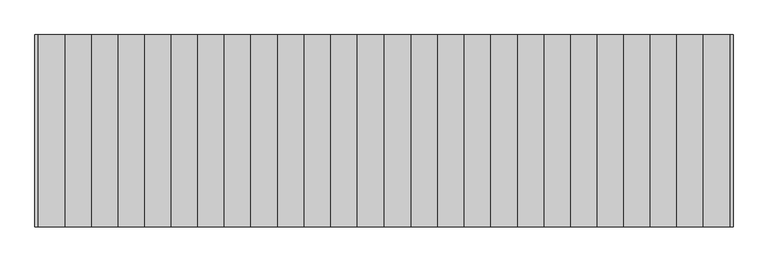
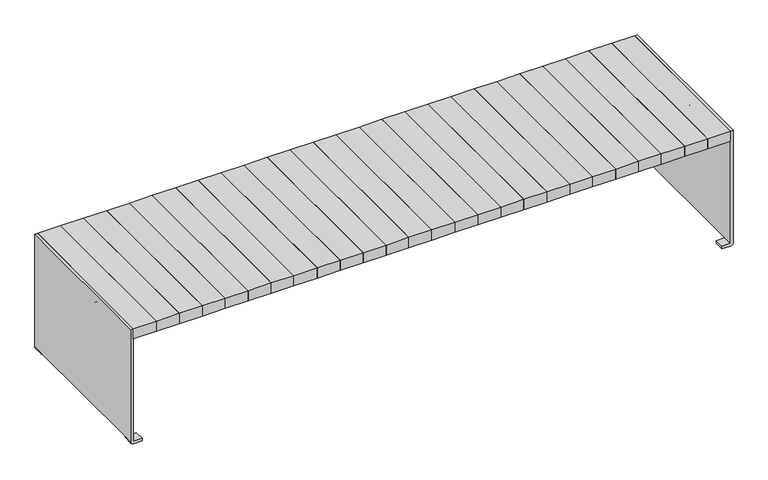
"""IFC4 building model written with IfcOpenShell, lengths in millimetres: furniture geometry."""

from ifc_helpers import new_model, si_unit, frame, origin, place, context, project, spatial, polyline, circle_curve, outline, extrude, source, transform, mapped, element, save
from ifc_brep_helpers import plane_surface, cylinder_surface, revolved_surface, advanced_brep


def furniture_0ccc228f(model_context):
    return source(origin(), model_context, "Body", "SolidModel", [
        extrude(outline(polyline([(83.1700951, 300.0), (83.1700951, -300.0), (0.0, -300.0), (0.0, 300.0), (83.1700951, 300.0)])), frame((0.0, 0.0, 400.6382749), z_axis=(0.0, 0.0, 1.0), x_axis=(1.0, 0.0, 0.0)), (0.0, 0.0, 1.0), 39.120575),
        extrude(outline(polyline([(165.5884938, 300.0), (165.5884938, -300.0), (83.1700951, -300.0), (83.1700951, 300.0), (165.5884938, 300.0)])), frame((0.0, 0.0, 400.6382749), z_axis=(0.0, 0.0, 1.0), x_axis=(1.0, 0.0, 0.0)), (0.0, 0.0, 1.0), 39.120575),
        extrude(outline(polyline([(249.0266735, 300.0), (249.0266735, -300.0), (165.5884938, -300.0), (165.5884938, 300.0), (249.0266735, 300.0)])), frame((0.0, 0.0, 400.6382749), z_axis=(0.0, 0.0, 1.0), x_axis=(1.0, 0.0, 0.0)), (0.0, 0.0, 1.0), 39.120575),
        extrude(outline(polyline([(331.8102592, 300.0), (331.8102592, -300.0), (249.0266735, -300.0), (249.0266735, 300.0), (331.8102592, 300.0)])), frame((0.0, 0.0, 400.6382749), z_axis=(0.0, 0.0, 1.0), x_axis=(1.0, 0.0, 0.0)), (0.0, 0.0, 1.0), 39.120575),
        extrude(outline(polyline([(415.2051572, 300.0), (415.2051572, -300.0), (331.8102592, -300.0), (331.8102592, 300.0), (415.2051572, 300.0)])), frame((0.0, 0.0, 400.6382749), z_axis=(0.0, 0.0, 1.0), x_axis=(1.0, 0.0, 0.0)), (0.0, 0.0, 1.0), 39.120575),
        extrude(outline(polyline([(498.7851293, 300.0), (498.7851293, -300.0), (415.2051572, -300.0), (415.2051572, 300.0), (498.7851293, 300.0)])), frame((0.0, 0.0, 400.6382749), z_axis=(0.0, 0.0, 1.0), x_axis=(1.0, 0.0, 0.0)), (0.0, 0.0, 1.0), 39.120575),
        extrude(outline(polyline([(580.2051572, 300.0), (580.2051572, -300.0), (498.7851293, -300.0), (498.7851293, 300.0), (580.2051572, 300.0)])), frame((0.0, 0.0, 400.6382749), z_axis=(0.0, 0.0, 1.0), x_axis=(1.0, 0.0, 0.0)), (0.0, 0.0, 1.0), 39.120575),
        extrude(outline(polyline([(663.7851293, 300.0), (663.7851293, -300.0), (580.2051572, -300.0), (580.2051572, 300.0), (663.7851293, 300.0)])), frame((0.0, 0.0, 400.6382749), z_axis=(0.0, 0.0, 1.0), x_axis=(1.0, 0.0, 0.0)), (0.0, 0.0, 1.0), 39.120575),
        extrude(outline(polyline([(746.8041619, 300.0), (746.8041619, -300.0), (663.7851293, -300.0), (663.7851293, 300.0), (746.8041619, 300.0)])), frame((0.0, 0.0, 400.6382749), z_axis=(0.0, 0.0, 1.0), x_axis=(1.0, 0.0, 0.0)), (0.0, 0.0, 1.0), 39.120575),
        extrude(outline(polyline([(1078.85, 300.0), (1078.85, -300.0), (996.3916762, -300.0), (996.3916762, 300.0), (1078.85, 300.0)])), frame((0.0, 0.0, 400.6382749), z_axis=(0.0, 0.0, 1.0), x_axis=(1.0, 0.0, 0.0)), (0.0, 0.0, 1.0), 39.120575),
        extrude(outline(polyline([(996.3916762, 300.0), (996.3916762, -300.0), (913.1958381, -300.0), (913.1958381, 300.0), (996.3916762, 300.0)])), frame((0.0, 0.0, 400.6382749), z_axis=(0.0, 0.0, 1.0), x_axis=(1.0, 0.0, 0.0)), (0.0, 0.0, 1.0), 39.120575),
        extrude(outline(polyline([(913.1958381, 300.0), (913.1958381, -300.0), (830.0, -300.0), (830.0, 300.0), (913.1958381, 300.0)])), frame((0.0, 0.0, 400.6382749), z_axis=(0.0, 0.0, 1.0), x_axis=(1.0, 0.0, 0.0)), (0.0, 0.0, 1.0), 39.120575),
        extrude(outline(polyline([(830.0, 300.0), (830.0, -300.0), (746.8041619, -300.0), (746.8041619, 300.0), (830.0, 300.0)])), frame((0.0, 0.0, 400.6382749), z_axis=(0.0, 0.0, 1.0), x_axis=(1.0, 0.0, 0.0)), (0.0, 0.0, 1.0), 39.120575),
        extrude(outline(polyline([(-83.1700951, 300.0), (0.0, 300.0), (0.0, -300.0), (-83.1700951, -300.0), (-83.1700951, 300.0)])), frame((0.0, 0.0, 400.6382749), z_axis=(0.0, 0.0, 1.0), x_axis=(1.0, 0.0, 0.0)), (0.0, 0.0, 1.0), 39.120575),
        extrude(outline(polyline([(-165.5884938, 300.0), (-83.1700951, 300.0), (-83.1700951, -300.0), (-165.5884938, -300.0), (-165.5884938, 300.0)])), frame((0.0, 0.0, 400.6382749), z_axis=(0.0, 0.0, 1.0), x_axis=(1.0, 0.0, 0.0)), (0.0, 0.0, 1.0), 39.120575),
        extrude(outline(polyline([(-249.0266735, 300.0), (-165.5884938, 300.0), (-165.5884938, -300.0), (-249.0266735, -300.0), (-249.0266735, 300.0)])), frame((0.0, 0.0, 400.6382749), z_axis=(0.0, 0.0, 1.0), x_axis=(1.0, 0.0, 0.0)), (0.0, 0.0, 1.0), 39.120575),
        extrude(outline(polyline([(-331.8102592, 300.0), (-249.0266735, 300.0), (-249.0266735, -300.0), (-331.8102592, -300.0), (-331.8102592, 300.0)])), frame((0.0, 0.0, 400.6382749), z_axis=(0.0, 0.0, 1.0), x_axis=(1.0, 0.0, 0.0)), (0.0, 0.0, 1.0), 39.120575),
        extrude(outline(polyline([(-415.2051572, 300.0), (-331.8102592, 300.0), (-331.8102592, -300.0), (-415.2051572, -300.0), (-415.2051572, 300.0)])), frame((0.0, 0.0, 400.6382749), z_axis=(0.0, 0.0, 1.0), x_axis=(1.0, 0.0, 0.0)), (0.0, 0.0, 1.0), 39.120575),
        extrude(outline(polyline([(-498.7851293, 300.0), (-415.2051572, 300.0), (-415.2051572, -300.0), (-498.7851293, -300.0), (-498.7851293, 300.0)])), frame((0.0, 0.0, 400.6382749), z_axis=(0.0, 0.0, 1.0), x_axis=(1.0, 0.0, 0.0)), (0.0, 0.0, 1.0), 39.120575),
        extrude(outline(polyline([(-580.2051572, 300.0), (-498.7851293, 300.0), (-498.7851293, -300.0), (-580.2051572, -300.0), (-580.2051572, 300.0)])), frame((0.0, 0.0, 400.6382749), z_axis=(0.0, 0.0, 1.0), x_axis=(1.0, 0.0, 0.0)), (0.0, 0.0, 1.0), 39.120575),
        extrude(outline(polyline([(-663.7851293, 300.0), (-580.2051572, 300.0), (-580.2051572, -300.0), (-663.7851293, -300.0), (-663.7851293, 300.0)])), frame((0.0, 0.0, 400.6382749), z_axis=(0.0, 0.0, 1.0), x_axis=(1.0, 0.0, 0.0)), (0.0, 0.0, 1.0), 39.120575),
        extrude(outline(polyline([(-746.8041619, 300.0), (-663.7851293, 300.0), (-663.7851293, -300.0), (-746.8041619, -300.0), (-746.8041619, 300.0)])), frame((0.0, 0.0, 400.6382749), z_axis=(0.0, 0.0, 1.0), x_axis=(1.0, 0.0, 0.0)), (0.0, 0.0, 1.0), 39.120575),
        extrude(outline(polyline([(-1078.85, 300.0), (-996.3916762, 300.0), (-996.3916762, -300.0), (-1078.85, -300.0), (-1078.85, 300.0)])), frame((0.0, 0.0, 400.6382749), z_axis=(0.0, 0.0, 1.0), x_axis=(1.0, 0.0, 0.0)), (0.0, 0.0, 1.0), 39.120575),
        extrude(outline(polyline([(-996.3916762, 300.0), (-913.1958381, 300.0), (-913.1958381, -300.0), (-996.3916762, -300.0), (-996.3916762, 300.0)])), frame((0.0, 0.0, 400.6382749), z_axis=(0.0, 0.0, 1.0), x_axis=(1.0, 0.0, 0.0)), (0.0, 0.0, 1.0), 39.120575),
        extrude(outline(polyline([(-913.1958381, 300.0), (-830.0, 300.0), (-830.0, -300.0), (-913.1958381, -300.0), (-913.1958381, 300.0)])), frame((0.0, 0.0, 400.6382749), z_axis=(0.0, 0.0, 1.0), x_axis=(1.0, 0.0, 0.0)), (0.0, 0.0, 1.0), 39.120575),
        extrude(outline(polyline([(-830.0, 300.0), (-746.8041619, 300.0), (-746.8041619, -300.0), (-830.0, -300.0), (-830.0, 300.0)])), frame((0.0, 0.0, 400.6382749), z_axis=(0.0, 0.0, 1.0), x_axis=(1.0, 0.0, 0.0)), (0.0, 0.0, 1.0), 39.120575),
        advanced_brep(
        [(1088.85, 300.0, 10.0), (1077.85, 300.0, 0.0), (1048.0911501, 300.0, 0.0), (1048.0911501, 300.0, 10.0), (1078.85, 300.0, 10.0), (1078.85, 300.0, 439.7588499), (1088.85, 300.0, 439.7588499), (1078.85, 265.0, 10.0), (1048.0911501, 265.0, 10.0), (1048.0911501, 265.0, 0.0), (1077.85, 265.0, 0.0), (1088.85, 265.0, 10.0), (1078.85, -300.0, 10.0), (1078.85, -300.0, 439.7588499), (1078.85, -265.0, 10.0), (1088.85, -300.0, 439.7588499), (1088.85, -300.0, 10.0), (1088.85, -265.0, 10.0), (1048.0911501, -300.0, 10.0), (1048.0911501, -300.0, 0.0), (1077.85, -300.0, 0.0), (1077.85, -265.0, 0.0), (1048.0911501, -265.0, 0.0), (1048.0911501, -265.0, 10.0)],
        [
            (0, 1, circle_curve(frame((1078.8045455, 300.0, 10.0), z_axis=(0.0, 1.0, 0.0), x_axis=(1.0, 0.0, 0.0)), 10.0454545)),
            (1, 2),
            (2, 3),
            (3, 4),
            (4, 5),
            (5, 6),
            (6, 0),
            (7, 8),
            (8, 9),
            (9, 10),
            (10, 11, circle_curve(frame((1078.8045455, 265.0, 10.0), z_axis=(0.0, -1.0, 0.0), x_axis=(1.0, 0.0, 0.0)), 10.0454545)),
            (11, 7),
            (3, 8),
            (7, 4),
            (2, 9),
            (1, 10),
            (0, 11),
            (12, 13),
            (13, 5),
            (7, 14),
            (14, 12),
            (6, 15),
            (15, 16),
            (16, 17),
            (17, 11),
            (13, 15),
            (12, 18),
            (18, 19),
            (19, 20),
            (20, 16, circle_curve(frame((1078.8045455, -300.0, 10.0), z_axis=(0.0, -1.0, 0.0), x_axis=(1.0, 0.0, 0.0)), 10.0454545)),
            (17, 14),
            (17, 21, circle_curve(frame((1078.8045455, -265.0, 10.0), z_axis=(0.0, 1.0, 0.0), x_axis=(1.0, 0.0, 0.0)), 10.0454545)),
            (21, 22),
            (22, 23),
            (23, 14),
            (23, 18),
            (22, 19),
            (21, 20),
        ],
        [
            plane_surface(frame((1078.85, 300.0, 10.0), z_axis=(0.0, 1.0, 0.0), x_axis=(1.0, 0.0, 0.0))),
            plane_surface(frame((1078.85, 265.0, 10.0), z_axis=(0.0, -1.0, 0.0), x_axis=(-1.0, 0.0, 0.0))),
            plane_surface(frame((1048.0911501, 300.0, 10.0), z_axis=(0.0, 0.0, 1.0), x_axis=(0.0, -1.0, 0.0))),
            plane_surface(frame((1048.0911501, 300.0, 0.0), z_axis=(-1.0, 0.0, 0.0), x_axis=(0.0, -1.0, 0.0))),
            plane_surface(frame((1077.85, 300.0, 0.0), z_axis=(0.0, 0.0, -1.0), x_axis=(0.0, -1.0, 0.0))),
            cylinder_surface(frame((1078.8045455, 265.0, 10.0), z_axis=(0.0, 1.0, 0.0), x_axis=(1.0, 0.0, 0.0)), 10.0454545),
            plane_surface(frame((1078.85, 200.0, 10.0), z_axis=(-1.0, 0.0, 0.0), x_axis=(0.0, -1.0, 0.0))),
            plane_surface(frame((1088.85, 200.0, 10.0), z_axis=(1.0, 0.0, 0.0), x_axis=(0.0, 1.0, 0.0))),
            plane_surface(frame((1078.85, -300.0, 439.7588499), z_axis=(0.0, 0.0, 1.0), x_axis=(1.0, 0.0, 0.0))),
            plane_surface(frame((1078.85, -300.0, 10.0), z_axis=(0.0, -1.0, 0.0), x_axis=(1.0, 0.0, 0.0))),
            plane_surface(frame((1078.85, 300.0, 10.0), z_axis=(0.0, 0.0, -1.0), x_axis=(1.0, 0.0, 0.0))),
            plane_surface(frame((1048.0911501, -265.0, 10.0), z_axis=(0.0, 1.0, 0.0), x_axis=(1.0, 0.0, 0.0))),
            plane_surface(frame((1078.85, -300.0, 10.0), z_axis=(0.0, 0.0, 1.0), x_axis=(0.0, 1.0, 0.0))),
            plane_surface(frame((1048.0911501, -300.0, 10.0), z_axis=(-1.0, 0.0, 0.0), x_axis=(0.0, 1.0, 0.0))),
            plane_surface(frame((1048.0911501, -300.0, 0.0), z_axis=(0.0, 0.0, -1.0), x_axis=(0.0, 1.0, 0.0))),
            cylinder_surface(frame((1078.8045455, -265.0, 10.0), z_axis=(0.0, -1.0, 0.0), x_axis=(1.0, 0.0, 0.0)), 10.0454545),
        ],
        [
            (0, [[1, 2, 3, 4, 5, 6, 7]]),
            (1, [[8, 9, 10, 11, 12]]),
            (2, [[-4, 13, -8, 14]]),
            (3, [[-3, 15, -9, -13]]),
            (4, [[-2, 16, -10, -15]]),
            (5, [[-1, 17, -11, -16]]),
            (6, [[18, 19, -5, -14, 20, 21]]),
            (7, [[-7, 22, 23, 24, 25, -17]]),
            (8, [[-19, 26, -22, -6]]),
            (9, [[-18, 27, 28, 29, 30, -23, -26]]),
            (10, [[-12, -25, 31, -20]]),
            (11, [[32, 33, 34, 35, -31]]),
            (12, [[-27, -21, -35, 36]]),
            (13, [[-28, -36, -34, 37]]),
            (14, [[-29, -37, -33, 38]]),
            (15, [[-30, -38, -32, -24]]),
        ],
    ),
        advanced_brep(
        [(-1078.85, 300.0, 10.0), (-1048.0911501, 300.0, 10.0), (-1048.0911501, 300.0, 0.0), (-1077.85, 300.0, 0.0), (-1088.85, 300.0, 10.0), (-1088.85, 300.0, 439.7588499), (-1078.85, 300.0, 439.7588499), (-1088.85, 265.0, 10.0), (-1077.85, 265.0, 0.0), (-1048.0911501, 265.0, 0.0), (-1048.0911501, 265.0, 10.0), (-1078.85, 265.0, 10.0), (-1078.85, -300.0, 439.7588499), (-1078.85, -300.0, 10.0), (-1078.85, -265.0, 10.0), (-1088.85, -300.0, 10.0), (-1088.85, -300.0, 439.7588499), (-1088.85, -265.0, 10.0), (-1077.85, -300.0, 0.0), (-1048.0911501, -300.0, 0.0), (-1048.0911501, -300.0, 10.0), (-1048.0911501, -265.0, 10.0), (-1048.0911501, -265.0, 0.0), (-1077.85, -265.0, 0.0)],
        [
            (0, 1),
            (1, 2),
            (2, 3),
            (3, 4, circle_curve(frame((-1078.8045455, 300.0, 10.0), z_axis=(0.0, 1.0, 0.0), x_axis=(-1.0, 0.0, 0.0)), 10.0454545)),
            (4, 5),
            (5, 6),
            (6, 0),
            (7, 8, circle_curve(frame((-1078.8045455, 265.0, 10.0), z_axis=(0.0, -1.0, 0.0), x_axis=(-1.0, 0.0, 0.0)), 10.0454545)),
            (8, 9),
            (9, 10),
            (10, 11),
            (11, 7),
            (0, 11),
            (10, 1),
            (9, 2),
            (8, 3),
            (7, 4),
            (6, 12),
            (12, 13),
            (13, 14),
            (14, 11),
            (15, 16),
            (16, 5),
            (7, 17),
            (17, 15),
            (16, 12),
            (15, 18, circle_curve(frame((-1078.8045455, -300.0, 10.0), z_axis=(0.0, -1.0, 0.0), x_axis=(-1.0, 0.0, 0.0)), 10.0454545)),
            (18, 19),
            (19, 20),
            (20, 13),
            (14, 17),
            (14, 21),
            (21, 22),
            (22, 23),
            (23, 17, circle_curve(frame((-1078.8045455, -265.0, 10.0), z_axis=(0.0, 1.0, 0.0), x_axis=(-1.0, 0.0, 0.0)), 10.0454545)),
            (20, 21),
            (19, 22),
            (18, 23),
        ],
        [
            plane_surface(frame((-1048.0911501, 300.0, 10.0), z_axis=(0.0, 1.0, 0.0), x_axis=(1.0, 0.0, 0.0))),
            plane_surface(frame((-1048.0911501, 265.0, 10.0), z_axis=(0.0, -1.0, 0.0), x_axis=(-1.0, 0.0, 0.0))),
            plane_surface(frame((-1078.85, 300.0, 10.0), z_axis=(0.0, 0.0, 1.0), x_axis=(0.0, -1.0, 0.0))),
            plane_surface(frame((-1048.0911501, 300.0, 10.0), z_axis=(1.0, 0.0, 0.0), x_axis=(0.0, -1.0, 0.0))),
            plane_surface(frame((-1048.0911501, 300.0, 0.0), z_axis=(0.0, 0.0, -1.0), x_axis=(0.0, -1.0, 0.0))),
            cylinder_surface(frame((-1078.8045455, 265.0, 10.0), z_axis=(0.0, 1.0, 0.0), x_axis=(-1.0, 0.0, 0.0)), 10.0454545),
            plane_surface(frame((-1078.85, 300.0, 11.0), z_axis=(1.0, 0.0, 0.0), x_axis=(0.0, 0.0, 1.0))),
            plane_surface(frame((-1088.85, 300.0, 11.0), z_axis=(-1.0, 0.0, 0.0), x_axis=(0.0, 0.0, -1.0))),
            plane_surface(frame((-1078.85, 300.0, 439.7588499), z_axis=(0.0, 0.0, 1.0), x_axis=(-1.0, 0.0, 0.0))),
            plane_surface(frame((-1078.85, -300.0, 439.7588499), z_axis=(0.0, -1.0, 0.0), x_axis=(-1.0, 0.0, 0.0))),
            plane_surface(frame((-1078.85, -300.0, 10.0), z_axis=(0.0, 0.0, -1.0), x_axis=(-1.0, 0.0, 0.0))),
            plane_surface(frame((-1078.85, -265.0, 10.0), z_axis=(0.0, 1.0, 0.0), x_axis=(1.0, 0.0, 0.0))),
            plane_surface(frame((-1048.0911501, -300.0, 10.0), z_axis=(0.0, 0.0, 1.0), x_axis=(0.0, 1.0, 0.0))),
            plane_surface(frame((-1048.0911501, -300.0, 0.0), z_axis=(1.0, 0.0, 0.0), x_axis=(0.0, 1.0, 0.0))),
            plane_surface(frame((-1077.85, -300.0, 0.0), z_axis=(0.0, 0.0, -1.0), x_axis=(0.0, 1.0, 0.0))),
            cylinder_surface(frame((-1078.8045455, -265.0, 10.0), z_axis=(0.0, -1.0, 0.0), x_axis=(-1.0, 0.0, 0.0)), 10.0454545),
        ],
        [
            (0, [[1, 2, 3, 4, 5, 6, 7]]),
            (1, [[8, 9, 10, 11, 12]]),
            (2, [[-1, 13, -11, 14]]),
            (3, [[-2, -14, -10, 15]]),
            (4, [[-3, -15, -9, 16]]),
            (5, [[-4, -16, -8, 17]]),
            (6, [[-7, 18, 19, 20, 21, -13]]),
            (7, [[22, 23, -5, -17, 24, 25]]),
            (8, [[-18, -6, -23, 26]]),
            (9, [[-19, -26, -22, 27, 28, 29, 30]]),
            (10, [[-12, -21, 31, -24]]),
            (11, [[32, 33, 34, 35, -31]]),
            (12, [[-30, 36, -32, -20]]),
            (13, [[-29, 37, -33, -36]]),
            (14, [[-28, 38, -34, -37]]),
            (15, [[-27, -25, -35, -38]]),
        ],
    ),
        advanced_brep(
        [(1073.85, 60.5127939, 394.6382749), (1073.85, 61.5127939, 395.6382749), (1073.85, 62.4995198, 395.6382749), (1073.85, 62.4995198, 400.6382749), (1073.85, 61.5127939, 400.6382749), (1073.85, 55.5127939, 394.6382749), (1073.85, 55.5127939, 393.1147491), (1073.85, 60.5127939, 393.1147491), (-1078.85, 55.5127939, 394.6382749), (-1078.85, 61.5127939, 400.6382749), (-1078.85, 99.9995198, 400.6382749), (-1078.85, 100.0, 347.7588499), (-1078.85, -100.0, 347.7588499), (-1078.85, -100.0, 400.6382749), (-1078.85, -61.5132741, 400.6382749), (-1078.85, -55.5132741, 394.6382749), (-1078.85, -55.5132741, 393.1147491), (-1078.85, 55.5127939, 393.1147491), (-1078.85, 62.4995198, 395.6382749), (-1078.85, 61.5127939, 395.6382749), (-1078.85, 60.5127939, 394.6382749), (-1078.85, 60.5127939, 393.1147491), (-1078.85, 62.4995198, 393.1147491), (-1078.85, -60.5132741, 394.6382749), (-1078.85, -61.5132741, 395.6382749), (-1078.85, -62.5, 395.6382749), (-1078.85, -62.5, 393.1147491), (-1078.85, -60.5132741, 393.1147491), (1073.85, 55.5127939, 340.151549), (-1073.85, 55.5127939, 340.151549), (-1073.85, 60.5127939, 340.151549), (1073.85, 60.5127939, 340.151549), (-1073.85, 55.5127939, 393.1147491), (1078.85, 62.4995198, 400.6382749), (1078.85, 99.9995198, 400.6382749), (-1073.85, 62.4995198, 395.6382749), (-1073.85, 99.9995198, 395.6382749), (1073.85, 99.9995198, 395.6382749), (-1073.85, 60.5127939, 393.1147491), (1073.85, -100.0, 347.7588499), (1078.85, -100.0, 347.7588499), (1078.85, -100.0, 400.6382749), (-1073.85, -100.0, 347.7588499), (-1073.85, -100.0, 395.6382749), (1073.85, -100.0, 395.6382749), (-1073.85, -62.5, 395.6382749), (-1073.85, -62.5, 393.1147491), (1078.85, -62.5, 400.6382749), (1078.85, -62.5, 393.1147491), (1073.85, -62.5, 393.1147491), (1073.85, -62.5, 395.6382749), (1073.85, -62.5, 400.6382749), (1073.85, -61.5132741, 400.6382749), (1073.85, -61.5132741, 395.6382749), (-1073.85, 100.0, 347.7588499), (-1073.85, 62.4995198, 393.1147491), (-1073.85, -55.5132741, 393.1147491), (-1073.85, -55.5132741, 340.151549), (-1073.85, -60.5132741, 340.151549), (-1073.85, -60.5132741, 393.1147491), (1073.85, -55.5132741, 394.6382749), (1073.85, -60.5132741, 394.6382749), (1073.85, -60.5132741, 393.1147491), (1073.85, -55.5132741, 393.1147491), (1073.85, -60.5132741, 340.151549), (1073.85, -55.5132741, 340.151549), (1078.85, 99.9995198, 347.7588499), (1073.85, 99.9995198, 347.7588499), (1073.85, 62.4995198, 393.1147491), (1078.85, 62.4995198, 393.1147491)],
        [
            (0, 1, circle_curve(frame((1073.85, 61.5127939, 394.6382749), z_axis=(-1.0, 0.0, 0.0), x_axis=(0.0, 1.0, 0.0)), 1.0)),
            (1, 2),
            (2, 3),
            (3, 4),
            (4, 5, circle_curve(frame((1073.85, 61.5127939, 394.6382749), z_axis=(1.0, 0.0, 0.0), x_axis=(0.0, 1.0, 0.0)), 6.0)),
            (5, 6),
            (6, 7),
            (7, 0),
            (8, 9, circle_curve(frame((-1078.85, 61.5127939, 394.6382749), z_axis=(-1.0, 0.0, 0.0), x_axis=(0.0, 1.0, 0.0)), 6.0)),
            (9, 10),
            (10, 11),
            (11, 12, circle_curve(frame((-1078.85, 0.0, 421.080061), z_axis=(-1.0, 0.0, 0.0), x_axis=(0.0, -0.8064516129032312, -0.5913000896717141)), 124.0)),
            (12, 13),
            (13, 14),
            (14, 15, circle_curve(frame((-1078.85, -61.5132741, 394.6382749), z_axis=(-1.0, 0.0, 0.0), x_axis=(0.0, -1.0, 0.0)), 6.0)),
            (15, 16),
            (16, 17),
            (17, 8),
            (18, 19),
            (19, 20, circle_curve(frame((-1078.85, 61.5127939, 394.6382749), z_axis=(1.0, 0.0, 0.0), x_axis=(0.0, 1.0, 0.0)), 1.0)),
            (20, 21),
            (21, 22),
            (22, 18),
            (23, 24, circle_curve(frame((-1078.85, -61.5132741, 394.6382749), z_axis=(1.0, 0.0, 0.0), x_axis=(0.0, -1.0, 0.0)), 1.0)),
            (24, 25),
            (25, 26),
            (26, 27),
            (27, 23),
            (28, 29),
            (29, 30),
            (30, 31),
            (31, 28),
            (5, 8),
            (17, 32),
            (32, 29),
            (28, 6),
            (4, 9),
            (3, 33),
            (33, 34),
            (34, 10),
            (1, 19),
            (18, 35),
            (35, 36),
            (36, 37),
            (37, 2),
            (0, 20),
            (7, 31),
            (30, 38),
            (38, 21),
            (39, 40),
            (40, 41),
            (41, 13),
            (12, 42),
            (42, 43),
            (43, 44),
            (44, 39),
            (45, 46),
            (46, 26),
            (25, 45),
            (47, 48),
            (48, 49),
            (49, 50),
            (50, 51),
            (51, 47),
            (41, 47),
            (51, 52),
            (52, 14),
            (43, 45),
            (24, 53),
            (53, 50),
            (50, 44),
            (42, 54, circle_curve(frame((-1073.85, 0.0, 421.080061), z_axis=(1.0, 0.0, 0.0), x_axis=(0.0, -0.8064516129032312, -0.5913000896717141)), 124.0)),
            (54, 36),
            (35, 55),
            (55, 38),
            (32, 56),
            (56, 57),
            (57, 58),
            (58, 59),
            (59, 46),
            (60, 52, circle_curve(frame((1073.85, -61.5132741, 394.6382749), z_axis=(1.0, 0.0, 0.0), x_axis=(0.0, -1.0, 0.0)), 6.0)),
            (53, 61, circle_curve(frame((1073.85, -61.5132741, 394.6382749), z_axis=(-1.0, 0.0, 0.0), x_axis=(0.0, -1.0, 0.0)), 1.0)),
            (61, 62),
            (62, 63),
            (63, 60),
            (64, 58),
            (57, 65),
            (65, 64),
            (15, 60),
            (63, 65),
            (56, 16),
            (23, 61),
            (27, 59),
            (64, 62),
            (54, 11),
            (34, 66),
            (66, 67),
            (67, 37),
            (22, 55),
            (2, 68),
            (68, 69),
            (69, 33),
            (49, 62),
            (63, 6),
            (7, 68),
            (67, 39, circle_curve(frame((1073.85, 0.0, 421.080061), z_axis=(-1.0, 0.0, 0.0), x_axis=(0.0, -0.8064516129032312, -0.5913000896717141)), 124.0)),
            (40, 66, circle_curve(frame((1078.85, 0.0, 421.080061), z_axis=(1.0, 0.0, 0.0), x_axis=(0.0, -0.8064516129032312, -0.5913000896717141)), 124.0)),
            (69, 48),
        ],
        [
            plane_surface(frame((1073.85, 60.5127939, 394.6382749), z_axis=(1.0, 0.0, 0.0), x_axis=(0.0, 0.0, 1.0))),
            plane_surface(frame((-1078.85, 60.5127939, 394.6382749), z_axis=(-1.0, 0.0, 0.0), x_axis=(0.0, 0.0, -1.0))),
            plane_surface(frame((1073.85, 55.5127939, 340.151549), z_axis=(0.0, 0.0, -1.0), x_axis=(-1.0, 0.0, 0.0))),
            plane_surface(frame((1073.85, 55.5127939, 394.6382749), z_axis=(0.0, -1.0, 0.0), x_axis=(-1.0, 0.0, 0.0))),
            cylinder_surface(frame((-1078.85, 61.5127939, 394.6382749), z_axis=(1.0, 0.0, 0.0), x_axis=(0.0, 1.0, 0.0)), 6.0),
            plane_surface(frame((1073.85, 62.4995198, 400.6382749), z_axis=(0.0, 0.0, 1.0), x_axis=(-1.0, 0.0, 0.0))),
            plane_surface(frame((1073.85, 61.5127939, 395.6382749), z_axis=(0.0, 0.0, -1.0), x_axis=(-1.0, 0.0, 0.0))),
            revolved_surface(polyline([(-1078.85, 62.5127939, 394.6382749), (1073.85, 62.5127939, 394.6382749)]), (-1078.85, 61.5127939, 394.6382749), (-1.0, 0.0, 0.0)),
            plane_surface(frame((1073.85, 60.5127939, 340.151549), z_axis=(0.0, 1.0, 0.0), x_axis=(-1.0, 0.0, 0.0))),
            plane_surface(frame((1073.85, -100.0, 393.1147491), z_axis=(0.0, -1.0, 0.0), x_axis=(0.0, 0.0, -1.0))),
            plane_surface(frame((1073.85, -62.5, 393.1147491), z_axis=(0.0, 1.0, 0.0), x_axis=(0.0, 0.0, 1.0))),
            plane_surface(frame((1078.85, -100.0, 400.6382749), z_axis=(0.0, 0.0, 1.0), x_axis=(0.0, 1.0, 0.0))),
            plane_surface(frame((-1073.85, -100.0, 395.6382749), z_axis=(0.0, 0.0, -1.0), x_axis=(0.0, 1.0, 0.0))),
            plane_surface(frame((-1073.85, -100.0, 393.1147491), z_axis=(1.0, 0.0, 0.0), x_axis=(0.0, 1.0, 0.0))),
            plane_surface(frame((1073.85, -60.5132741, 340.151549), z_axis=(1.0, 0.0, 0.0), x_axis=(0.0, 1.0, 0.0))),
            plane_surface(frame((1073.85, -60.5132741, 340.151549), z_axis=(0.0, 0.0, -1.0), x_axis=(-1.0, 0.0, 0.0))),
            plane_surface(frame((1073.85, -55.5132741, 340.151549), z_axis=(0.0, 1.0, 0.0), x_axis=(-1.0, 0.0, 0.0))),
            cylinder_surface(frame((-1078.85, -61.5132741, 394.6382749), z_axis=(1.0, 0.0, 0.0), x_axis=(0.0, -1.0, 0.0)), 6.0),
            revolved_surface(polyline([(-1078.85, -62.5132741, 394.6382749), (1073.85, -62.5132741, 394.6382749)]), (-1078.85, -61.5132741, 394.6382749), (-1.0, 0.0, 0.0)),
            plane_surface(frame((1073.85, -60.5132741, 394.6382749), z_axis=(0.0, -1.0, 0.0), x_axis=(-1.0, 0.0, 0.0))),
            plane_surface(frame((-825.879425, 99.9995198, 395.6382749), z_axis=(0.0, 1.0, 0.0), x_axis=(-1.0, 0.0, 0.0))),
            plane_surface(frame((-825.879425, 62.4995198, 395.6382749), z_axis=(0.0, -1.0, 0.0), x_axis=(1.0, 0.0, 0.0))),
            plane_surface(frame((-1073.85, 100.0, 393.1147491), z_axis=(0.0, 0.0, 1.0), x_axis=(-1.0, 0.0, 0.0))),
            cylinder_surface(frame((-1078.85, 0.0, 421.080061), z_axis=(1.0000000000000002, 0.0, 0.0), x_axis=(0.0, -0.8064516129032312, -0.5913000896717141)), 124.0),
            plane_surface(frame((1073.85, -100.0, 395.6382749), z_axis=(-1.0, 0.0, 0.0), x_axis=(0.0, 1.0, 0.0))),
            plane_surface(frame((1078.85, -100.0, 393.1147491), z_axis=(1.0, 0.0, 0.0), x_axis=(0.0, 1.0, 0.0))),
            plane_surface(frame((1073.85, -100.0, 393.1147491), z_axis=(0.0, 0.0, 1.0), x_axis=(1.0, 0.0, 0.0))),
            cylinder_surface(frame((1078.85, 0.0, 421.080061), z_axis=(-1.0000000000000002, 0.0, 0.0), x_axis=(0.0, -0.8064516129032312, -0.5913000896717141)), 124.0),
        ],
        [
            (0, [[1, 2, 3, 4, 5, 6, 7, 8]]),
            (1, [[9, 10, 11, 12, 13, 14, 15, 16, 17, 18], [19, 20, 21, 22, 23], [24, 25, 26, 27, 28]]),
            (2, [[29, 30, 31, 32]]),
            (3, [[33, -18, 34, 35, -29, 36, -6]]),
            (4, [[-5, 37, -9, -33]]),
            (5, [[-4, 38, 39, 40, -10, -37]]),
            (6, [[-2, 41, -19, 42, 43, 44, 45]]),
            (7, [[-1, 46, -20, -41]]),
            (8, [[-46, -8, 47, -31, 48, 49, -21]]),
            (9, [[50, 51, 52, -13, 53, 54, 55, 56]]),
            (10, [[57, 58, -26, 59]]),
            (10, [[60, 61, 62, 63, 64]]),
            (11, [[-52, 65, -64, 66, 67, -14]]),
            (12, [[-55, 68, -59, -25, 69, 70, 71]]),
            (13, [[-57, -68, -54, 72, 73, -43, 74, 75, -48, -30, -35, 76, 77, 78, 79, 80]]),
            (14, [[81, -66, -63, -70, 82, 83, 84, 85]]),
            (15, [[86, -78, 87, 88]]),
            (16, [[89, -85, 90, -87, -77, 91, -16]]),
            (17, [[-81, -89, -15, -67]]),
            (18, [[-82, -69, -24, 92]]),
            (19, [[-92, -28, 93, -79, -86, 94, -83]]),
            (20, [[-44, -73, 95, -11, -40, 96, 97, 98]]),
            (21, [[-74, -42, -23, 99]]),
            (21, [[100, 101, 102, -38, -3]]),
            (22, [[-17, -91, -76, -34]]),
            (22, [[-22, -49, -75, -99]]),
            (22, [[-27, -58, -80, -93]]),
            (23, [[-72, -53, -12, -95]]),
            (24, [[-56, -71, -62, 103, -94, -88, -90, 104, -36, -32, -47, 105, -100, -45, -98, 106]]),
            (25, [[-51, 107, -96, -39, -102, 108, -60, -65]]),
            (26, [[-104, -84, -103, -61, -108, -101, -105, -7]]),
            (27, [[-106, -97, -107, -50]]),
        ],
    ),
    ])


if __name__ == "__main__":
    model = new_model("IFC4")
    model_context = context("Model", 3, world=origin())
    ifc_project = project(units=[si_unit("LENGTHUNIT", "METRE", prefix="MILLI")], contexts=[model_context])
    site = spatial("IfcSite", under=ifc_project)
    building = spatial("IfcBuilding", under=site)
    placement = place(None, origin())
    furniture_shape = furniture_0ccc228f(model_context)
    element("IfcFurniture", 1, at=placement, inside=building, context=model_context, shape_type="MappedRepresentation", body=[
        mapped(furniture_shape, transform((0.0, 0.0, 0.0), x_axis=(1.0, 0.0, 0.0), y_axis=(0.0, 1.0, 0.0), z_axis=(0.0, 0.0, 1.0))),
    ])
    save(model, "model.ifc")
